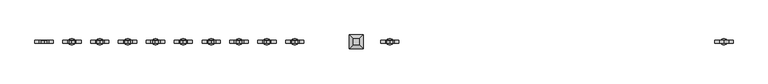
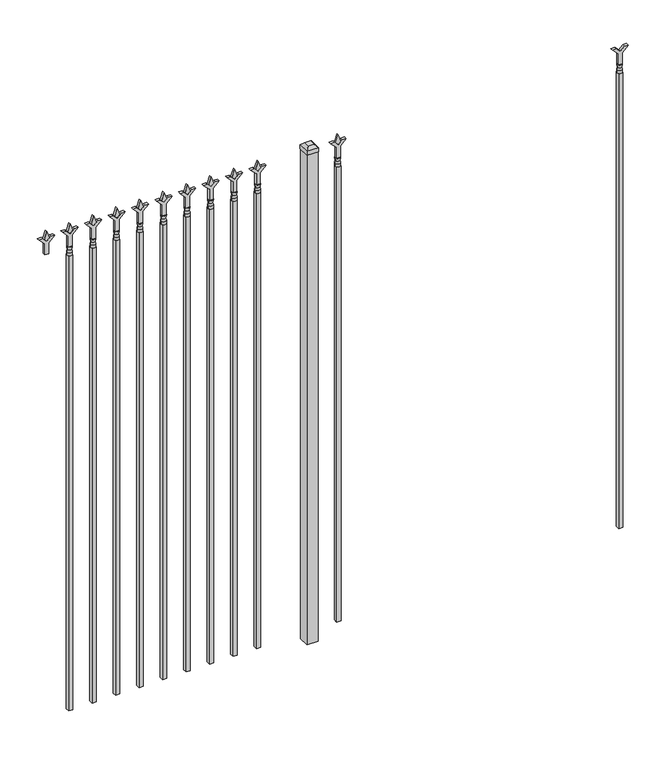
"""IFC4 building model written with IfcOpenShell, lengths in millimetres: railing geometry."""

from ifc_helpers import new_model, si_unit, frame, origin, origin_with_axes, place, context, project, spatial, polyline, circle_curve, outline, extrude, faceted_brep, source, transform, mapped, element, save
from ifc_brep_helpers import plane_surface, cylinder_surface, revolved_surface, advanced_brep


def railing_2c0cf2be(model_context):
    return source(origin(), model_context, "Body", "SolidModel", [
        extrude(outline(polyline([(2327.275, -52222.749337), (2381.5457378, -52222.749337), (2408.7355122, -52195.5595625), (2408.7355122, -52213.5200747), (2390.775, -52231.480587), (2408.7355122, -52249.4410992), (2408.7355122, -52267.4016114), (2381.5457378, -52240.211837), (2327.275, -52240.211837), (2327.275, -52222.749337)])), frame((0.0, -9176.0070174, 0.0), z_axis=(0.0, 1.0, 0.0), x_axis=(0.0, 0.0, 1.0)), (0.0, 0.0, 1.0), 12.7),
        advanced_brep(
        [(-52219.574337, -9169.6570174, 2298.7), (-52243.386837, -9169.6570174, 2298.7), (-52243.386837, -9169.6570174, 2286.0), (-52219.574337, -9169.6570174, 2286.0), (-52221.7796688, -9169.6570174, 2311.2070585), (-52241.1815051, -9169.6570174, 2311.2070585), (-52219.574337, -9169.6570174, 2327.275), (-52243.386837, -9169.6570174, 2327.275), (-52231.480587, -9169.6570174, 2327.275), (-52231.480587, -9169.6570174, 2286.0)],
        [
            (0, 1, circle_curve(frame((-52231.480587, -9169.6570174, 2298.7), z_axis=(0.0, 0.0, -1.0), x_axis=(-1.0, 0.0, 0.0)), 11.90625)),
            (1, 2),
            (2, 3, circle_curve(frame((-52231.480587, -9169.6570174, 2286.0), z_axis=(0.0, 0.0, 1.0), x_axis=(-1.0, 0.0, 0.0)), 11.90625)),
            (3, 0),
            (1, 0, circle_curve(frame((-52231.480587, -9169.6570174, 2298.7), z_axis=(0.0, 0.0, -1.0), x_axis=(-1.0, 0.0, 0.0)), 11.90625)),
            (3, 2, circle_curve(frame((-52231.480587, -9169.6570174, 2286.0), z_axis=(0.0, 0.0, 1.0), x_axis=(-1.0, 0.0, 0.0)), 11.90625)),
            (4, 5, circle_curve(frame((-52231.480587, -9169.6570174, 2311.2070585), z_axis=(0.0, 0.0, -1.0), x_axis=(-1.0, 0.0, 0.0)), 9.7009181)),
            (5, 1),
            (0, 4),
            (5, 4, circle_curve(frame((-52231.480587, -9169.6570174, 2311.2070585), z_axis=(0.0, 0.0, -1.0), x_axis=(-1.0, 0.0, 0.0)), 9.7009181)),
            (6, 7, circle_curve(frame((-52231.480587, -9169.6570174, 2327.275), z_axis=(0.0, 0.0, -1.0), x_axis=(-1.0, 0.0, 0.0)), 11.90625)),
            (7, 5),
            (4, 6),
            (7, 6, circle_curve(frame((-52231.480587, -9169.6570174, 2327.275), z_axis=(0.0, 0.0, -1.0), x_axis=(-1.0, 0.0, 0.0)), 11.90625)),
            (8, 7),
            (6, 8),
            (2, 9),
            (9, 3),
        ],
        [
            cylinder_surface(frame((-52231.480587, -9169.6570174, 2286.0), z_axis=(0.0, 0.0, 1.0), x_axis=(-1.0, 0.0, 0.0)), 11.90625),
            revolved_surface(polyline([(-52243.386837, -9169.6570174, 2298.7), (-52241.1815051, -9169.6570174, 2311.2070585)]), (-52231.480587, -9169.6570174, 2286.0), (0.0, 0.0, 1.0)),
            revolved_surface(polyline([(-52241.1815051, -9169.6570174, 2311.2070585), (-52243.386837, -9169.6570174, 2327.275)]), (-52231.480587, -9169.6570174, 2286.0), (0.0, 0.0, 1.0)),
            plane_surface(frame((-52231.480587, -9169.6570174, 2327.275), z_axis=(0.0, 0.0, 1.0), x_axis=(-1.0, 0.0, 0.0))),
            plane_surface(frame((-52231.480587, -9169.6570174, 2286.0), z_axis=(0.0, 0.0, -1.0), x_axis=(-1.0, 0.0, 0.0))),
        ],
        [
            (0, [[1, 2, 3, 4]]),
            (0, [[5, -4, 6, -2]]),
            (1, [[7, 8, -1, 9]]),
            (1, [[10, -9, -5, -8]]),
            (2, [[11, 12, -7, 13]]),
            (2, [[14, -13, -10, -12]]),
            (3, [[15, -11, 16]]),
            (3, [[-16, -14, -15]]),
            (4, [[-3, 17, 18]]),
            (4, [[-6, -18, -17]]),
        ],
    ),
        extrude(outline(polyline([(-52241.005587, -9160.1320174), (-52221.955587, -9160.1320174), (-52221.955587, -9179.1820174), (-52241.005587, -9179.1820174), (-52241.005587, -9160.1320174)])), frame((0.0, 0.0, 50.8), z_axis=(0.0, 0.0, 1.0), x_axis=(1.0, 0.0, 0.0)), (0.0, 0.0, 1.0), 2235.2),
        extrude(outline(polyline([(2402.68125, -53530.849337), (2438.4, -53542.755587), (2402.68125, -53554.661837), (2390.775, -53542.755587), (2402.68125, -53530.849337)])), frame((0.0, -9174.4195174, 0.0), z_axis=(0.0, 1.0, 0.0), x_axis=(0.0, 0.0, 1.0)), (0.0, 0.0, 1.0), 9.525),
        extrude(outline(polyline([(2327.275, -53534.024337), (2381.5457378, -53534.024337), (2408.7355122, -53506.8345625), (2408.7355122, -53524.7950747), (2390.775, -53542.755587), (2408.7355122, -53560.7160992), (2408.7355122, -53578.6766114), (2381.5457378, -53551.486837), (2327.275, -53551.486837), (2327.275, -53534.024337)])), frame((0.0, -9176.0070174, 0.0), z_axis=(0.0, 1.0, 0.0), x_axis=(0.0, 0.0, 1.0)), (0.0, 0.0, 1.0), 12.7),
        advanced_brep(
        [(-53530.849337, -9169.6570174, 2298.7), (-53554.661837, -9169.6570174, 2298.7), (-53554.661837, -9169.6570174, 2286.0), (-53530.849337, -9169.6570174, 2286.0), (-53533.0546688, -9169.6570174, 2311.2070585), (-53552.4565051, -9169.6570174, 2311.2070585), (-53530.849337, -9169.6570174, 2327.275), (-53554.661837, -9169.6570174, 2327.275), (-53542.755587, -9169.6570174, 2327.275), (-53542.755587, -9169.6570174, 2286.0)],
        [
            (0, 1, circle_curve(frame((-53542.755587, -9169.6570174, 2298.7), z_axis=(0.0, 0.0, -1.0), x_axis=(-1.0, 0.0, 0.0)), 11.90625)),
            (1, 2),
            (2, 3, circle_curve(frame((-53542.755587, -9169.6570174, 2286.0), z_axis=(0.0, 0.0, 1.0), x_axis=(-1.0, 0.0, 0.0)), 11.90625)),
            (3, 0),
            (1, 0, circle_curve(frame((-53542.755587, -9169.6570174, 2298.7), z_axis=(0.0, 0.0, -1.0), x_axis=(-1.0, 0.0, 0.0)), 11.90625)),
            (3, 2, circle_curve(frame((-53542.755587, -9169.6570174, 2286.0), z_axis=(0.0, 0.0, 1.0), x_axis=(-1.0, 0.0, 0.0)), 11.90625)),
            (4, 5, circle_curve(frame((-53542.755587, -9169.6570174, 2311.2070585), z_axis=(0.0, 0.0, -1.0), x_axis=(-1.0, 0.0, 0.0)), 9.7009181)),
            (5, 1),
            (0, 4),
            (5, 4, circle_curve(frame((-53542.755587, -9169.6570174, 2311.2070585), z_axis=(0.0, 0.0, -1.0), x_axis=(-1.0, 0.0, 0.0)), 9.7009181)),
            (6, 7, circle_curve(frame((-53542.755587, -9169.6570174, 2327.275), z_axis=(0.0, 0.0, -1.0), x_axis=(-1.0, 0.0, 0.0)), 11.90625)),
            (7, 5),
            (4, 6),
            (7, 6, circle_curve(frame((-53542.755587, -9169.6570174, 2327.275), z_axis=(0.0, 0.0, -1.0), x_axis=(-1.0, 0.0, 0.0)), 11.90625)),
            (8, 7),
            (6, 8),
            (2, 9),
            (9, 3),
        ],
        [
            cylinder_surface(frame((-53542.755587, -9169.6570174, 2286.0), z_axis=(0.0, 0.0, 1.0), x_axis=(-1.0, 0.0, 0.0)), 11.90625),
            revolved_surface(polyline([(-53554.661837, -9169.6570174, 2298.7), (-53552.4565051, -9169.6570174, 2311.2070585)]), (-53542.755587, -9169.6570174, 2286.0), (0.0, 0.0, 1.0)),
            revolved_surface(polyline([(-53552.4565051, -9169.6570174, 2311.2070585), (-53554.661837, -9169.6570174, 2327.275)]), (-53542.755587, -9169.6570174, 2286.0), (0.0, 0.0, 1.0)),
            plane_surface(frame((-53542.755587, -9169.6570174, 2327.275), z_axis=(0.0, 0.0, 1.0), x_axis=(-1.0, 0.0, 0.0))),
            plane_surface(frame((-53542.755587, -9169.6570174, 2286.0), z_axis=(0.0, 0.0, -1.0), x_axis=(-1.0, 0.0, 0.0))),
        ],
        [
            (0, [[1, 2, 3, 4]]),
            (0, [[5, -4, 6, -2]]),
            (1, [[7, 8, -1, 9]]),
            (1, [[10, -9, -5, -8]]),
            (2, [[11, 12, -7, 13]]),
            (2, [[14, -13, -10, -12]]),
            (3, [[15, -11, 16]]),
            (3, [[-16, -14, -15]]),
            (4, [[-3, 17, 18]]),
            (4, [[-6, -18, -17]]),
        ],
    ),
        extrude(outline(polyline([(-53552.280587, -9160.1320174), (-53533.230587, -9160.1320174), (-53533.230587, -9179.1820174), (-53552.280587, -9179.1820174), (-53552.280587, -9160.1320174)])), frame((0.0, 0.0, 50.8), z_axis=(0.0, 0.0, 1.0), x_axis=(1.0, 0.0, 0.0)), (0.0, 0.0, 1.0), 2235.2),
        extrude(outline(polyline([(-53649.118087, -9144.2570174), (-53649.118087, -9195.0570174), (-53699.918087, -9195.0570174), (-53699.918087, -9144.2570174), (-53649.118087, -9144.2570174)])), origin_with_axes(), (0.0, 0.0, 1.0), 2406.65),
        faceted_brep([(-53701.505587, -9142.6695174, 2425.7), (-53701.505587, -9142.6695174, 2406.65), (-53701.505587, -9196.6445174, 2406.65), (-53701.505587, -9196.6445174, 2425.7), (-53688.805587, -9155.3695174, 2438.4), (-53688.805587, -9183.9445174, 2438.4), (-53647.530587, -9196.6445174, 2406.65), (-53647.530587, -9196.6445174, 2425.7), (-53660.230587, -9183.9445174, 2438.4), (-53647.530587, -9142.6695174, 2406.65), (-53647.530587, -9142.6695174, 2425.7), (-53660.230587, -9155.3695174, 2438.4)], [[[0, 1, 2, 3]], [[4, 0, 3, 5]], [[3, 2, 6, 7]], [[5, 3, 7, 8]], [[7, 6, 9, 10]], [[8, 7, 10, 11]], [[10, 9, 1, 0]], [[11, 10, 0, 4]], [[5, 8, 11, 4]], [[1, 9, 6, 2]]]),
        extrude(outline(polyline([(2402.68125, -53903.6472536), (2438.4, -53915.5535036), (2402.68125, -53927.4597536), (2390.775, -53915.5535036), (2402.68125, -53903.6472536)])), frame((0.0, -9174.4195174, 0.0), z_axis=(0.0, 1.0, 0.0), x_axis=(0.0, 0.0, 1.0)), (0.0, 0.0, 1.0), 9.525),
        extrude(outline(polyline([(2327.275, -53906.8222536), (2381.5457378, -53906.8222536), (2408.7355122, -53879.6324791), (2408.7355122, -53897.5929914), (2390.775, -53915.5535036), (2408.7355122, -53933.5140159), (2408.7355122, -53951.4745281), (2381.5457378, -53924.2847536), (2327.275, -53924.2847536), (2327.275, -53906.8222536)])), frame((0.0, -9176.0070174, 0.0), z_axis=(0.0, 1.0, 0.0), x_axis=(0.0, 0.0, 1.0)), (0.0, 0.0, 1.0), 12.7),
        advanced_brep(
        [(-53903.6472536, -9169.6570174, 2298.7), (-53927.4597536, -9169.6570174, 2298.7), (-53927.4597536, -9169.6570174, 2286.0), (-53903.6472536, -9169.6570174, 2286.0), (-53905.8525855, -9169.6570174, 2311.2070585), (-53925.2544218, -9169.6570174, 2311.2070585), (-53903.6472536, -9169.6570174, 2327.275), (-53927.4597536, -9169.6570174, 2327.275), (-53915.5535036, -9169.6570174, 2327.275), (-53915.5535036, -9169.6570174, 2286.0)],
        [
            (0, 1, circle_curve(frame((-53915.5535036, -9169.6570174, 2298.7), z_axis=(0.0, 0.0, -1.0), x_axis=(-1.0, 0.0, 0.0)), 11.90625)),
            (1, 2),
            (2, 3, circle_curve(frame((-53915.5535036, -9169.6570174, 2286.0), z_axis=(0.0, 0.0, 1.0), x_axis=(-1.0, 0.0, 0.0)), 11.90625)),
            (3, 0),
            (1, 0, circle_curve(frame((-53915.5535036, -9169.6570174, 2298.7), z_axis=(0.0, 0.0, -1.0), x_axis=(-1.0, 0.0, 0.0)), 11.90625)),
            (3, 2, circle_curve(frame((-53915.5535036, -9169.6570174, 2286.0), z_axis=(0.0, 0.0, 1.0), x_axis=(-1.0, 0.0, 0.0)), 11.90625)),
            (4, 5, circle_curve(frame((-53915.5535036, -9169.6570174, 2311.2070585), z_axis=(0.0, 0.0, -1.0), x_axis=(-1.0, 0.0, 0.0)), 9.7009181)),
            (5, 1),
            (0, 4),
            (5, 4, circle_curve(frame((-53915.5535036, -9169.6570174, 2311.2070585), z_axis=(0.0, 0.0, -1.0), x_axis=(-1.0, 0.0, 0.0)), 9.7009181)),
            (6, 7, circle_curve(frame((-53915.5535036, -9169.6570174, 2327.275), z_axis=(0.0, 0.0, -1.0), x_axis=(-1.0, 0.0, 0.0)), 11.90625)),
            (7, 5),
            (4, 6),
            (7, 6, circle_curve(frame((-53915.5535036, -9169.6570174, 2327.275), z_axis=(0.0, 0.0, -1.0), x_axis=(-1.0, 0.0, 0.0)), 11.90625)),
            (8, 7),
            (6, 8),
            (2, 9),
            (9, 3),
        ],
        [
            cylinder_surface(frame((-53915.5535036, -9169.6570174, 2286.0), z_axis=(0.0, 0.0, 1.0), x_axis=(-1.0, 0.0, 0.0)), 11.90625),
            revolved_surface(polyline([(-53927.4597536, -9169.6570174, 2298.7), (-53925.2544218, -9169.6570174, 2311.2070585)]), (-53915.5535036, -9169.6570174, 2286.0), (0.0, 0.0, 1.0)),
            revolved_surface(polyline([(-53925.2544218, -9169.6570174, 2311.2070585), (-53927.4597536, -9169.6570174, 2327.275)]), (-53915.5535036, -9169.6570174, 2286.0), (0.0, 0.0, 1.0)),
            plane_surface(frame((-53915.5535036, -9169.6570174, 2327.275), z_axis=(0.0, 0.0, 1.0), x_axis=(-1.0, 0.0, 0.0))),
            plane_surface(frame((-53915.5535036, -9169.6570174, 2286.0), z_axis=(0.0, 0.0, -1.0), x_axis=(-1.0, 0.0, 0.0))),
        ],
        [
            (0, [[1, 2, 3, 4]]),
            (0, [[5, -4, 6, -2]]),
            (1, [[7, 8, -1, 9]]),
            (1, [[10, -9, -5, -8]]),
            (2, [[11, 12, -7, 13]]),
            (2, [[14, -13, -10, -12]]),
            (3, [[15, -11, 16]]),
            (3, [[-16, -14, -15]]),
            (4, [[-3, 17, 18]]),
            (4, [[-6, -18, -17]]),
        ],
    ),
        extrude(outline(polyline([(-53925.0785036, -9160.1320174), (-53906.0285036, -9160.1320174), (-53906.0285036, -9179.1820174), (-53925.0785036, -9179.1820174), (-53925.0785036, -9160.1320174)])), frame((0.0, 0.0, 50.8), z_axis=(0.0, 0.0, 1.0), x_axis=(1.0, 0.0, 0.0)), (0.0, 0.0, 1.0), 2235.2),
        extrude(outline(polyline([(2402.68125, -54012.9201703), (2438.4, -54024.8264203), (2402.68125, -54036.7326703), (2390.775, -54024.8264203), (2402.68125, -54012.9201703)])), frame((0.0, -9174.4195174, 0.0), z_axis=(0.0, 1.0, 0.0), x_axis=(0.0, 0.0, 1.0)), (0.0, 0.0, 1.0), 9.525),
        extrude(outline(polyline([(2327.275, -54016.0951703), (2381.5457378, -54016.0951703), (2408.7355122, -53988.9053958), (2408.7355122, -54006.8659081), (2390.775, -54024.8264203), (2408.7355122, -54042.7869325), (2408.7355122, -54060.7474448), (2381.5457378, -54033.5576703), (2327.275, -54033.5576703), (2327.275, -54016.0951703)])), frame((0.0, -9176.0070174, 0.0), z_axis=(0.0, 1.0, 0.0), x_axis=(0.0, 0.0, 1.0)), (0.0, 0.0, 1.0), 12.7),
        advanced_brep(
        [(-54012.9201703, -9169.6570174, 2298.7), (-54036.7326703, -9169.6570174, 2298.7), (-54036.7326703, -9169.6570174, 2286.0), (-54012.9201703, -9169.6570174, 2286.0), (-54015.1255022, -9169.6570174, 2311.2070585), (-54034.5273384, -9169.6570174, 2311.2070585), (-54012.9201703, -9169.6570174, 2327.275), (-54036.7326703, -9169.6570174, 2327.275), (-54024.8264203, -9169.6570174, 2327.275), (-54024.8264203, -9169.6570174, 2286.0)],
        [
            (0, 1, circle_curve(frame((-54024.8264203, -9169.6570174, 2298.7), z_axis=(0.0, 0.0, -1.0), x_axis=(-1.0, 0.0, 0.0)), 11.90625)),
            (1, 2),
            (2, 3, circle_curve(frame((-54024.8264203, -9169.6570174, 2286.0), z_axis=(0.0, 0.0, 1.0), x_axis=(-1.0, 0.0, 0.0)), 11.90625)),
            (3, 0),
            (1, 0, circle_curve(frame((-54024.8264203, -9169.6570174, 2298.7), z_axis=(0.0, 0.0, -1.0), x_axis=(-1.0, 0.0, 0.0)), 11.90625)),
            (3, 2, circle_curve(frame((-54024.8264203, -9169.6570174, 2286.0), z_axis=(0.0, 0.0, 1.0), x_axis=(-1.0, 0.0, 0.0)), 11.90625)),
            (4, 5, circle_curve(frame((-54024.8264203, -9169.6570174, 2311.2070585), z_axis=(0.0, 0.0, -1.0), x_axis=(-1.0, 0.0, 0.0)), 9.7009181)),
            (5, 1),
            (0, 4),
            (5, 4, circle_curve(frame((-54024.8264203, -9169.6570174, 2311.2070585), z_axis=(0.0, 0.0, -1.0), x_axis=(-1.0, 0.0, 0.0)), 9.7009181)),
            (6, 7, circle_curve(frame((-54024.8264203, -9169.6570174, 2327.275), z_axis=(0.0, 0.0, -1.0), x_axis=(-1.0, 0.0, 0.0)), 11.90625)),
            (7, 5),
            (4, 6),
            (7, 6, circle_curve(frame((-54024.8264203, -9169.6570174, 2327.275), z_axis=(0.0, 0.0, -1.0), x_axis=(-1.0, 0.0, 0.0)), 11.90625)),
            (8, 7),
            (6, 8),
            (2, 9),
            (9, 3),
        ],
        [
            cylinder_surface(frame((-54024.8264203, -9169.6570174, 2286.0), z_axis=(0.0, 0.0, 1.0), x_axis=(-1.0, 0.0, 0.0)), 11.90625),
            revolved_surface(polyline([(-54036.7326703, -9169.6570174, 2298.7), (-54034.5273384, -9169.6570174, 2311.2070585)]), (-54024.8264203, -9169.6570174, 2286.0), (0.0, 0.0, 1.0)),
            revolved_surface(polyline([(-54034.5273384, -9169.6570174, 2311.2070585), (-54036.7326703, -9169.6570174, 2327.275)]), (-54024.8264203, -9169.6570174, 2286.0), (0.0, 0.0, 1.0)),
            plane_surface(frame((-54024.8264203, -9169.6570174, 2327.275), z_axis=(0.0, 0.0, 1.0), x_axis=(-1.0, 0.0, 0.0))),
            plane_surface(frame((-54024.8264203, -9169.6570174, 2286.0), z_axis=(0.0, 0.0, -1.0), x_axis=(-1.0, 0.0, 0.0))),
        ],
        [
            (0, [[1, 2, 3, 4]]),
            (0, [[5, -4, 6, -2]]),
            (1, [[7, 8, -1, 9]]),
            (1, [[10, -9, -5, -8]]),
            (2, [[11, 12, -7, 13]]),
            (2, [[14, -13, -10, -12]]),
            (3, [[15, -11, 16]]),
            (3, [[-16, -14, -15]]),
            (4, [[-3, 17, 18]]),
            (4, [[-6, -18, -17]]),
        ],
    ),
        extrude(outline(polyline([(-54034.3514203, -9160.1320174), (-54015.3014203, -9160.1320174), (-54015.3014203, -9179.1820174), (-54034.3514203, -9179.1820174), (-54034.3514203, -9160.1320174)])), frame((0.0, 0.0, 50.8), z_axis=(0.0, 0.0, 1.0), x_axis=(1.0, 0.0, 0.0)), (0.0, 0.0, 1.0), 2235.2),
        extrude(outline(polyline([(2402.68125, -54122.193087), (2438.4, -54134.099337), (2402.68125, -54146.005587), (2390.775, -54134.099337), (2402.68125, -54122.193087)])), frame((0.0, -9174.4195174, 0.0), z_axis=(0.0, 1.0, 0.0), x_axis=(0.0, 0.0, 1.0)), (0.0, 0.0, 1.0), 9.525),
        extrude(outline(polyline([(2327.275, -54125.368087), (2381.5457378, -54125.368087), (2408.7355122, -54098.1783125), (2408.7355122, -54116.1388247), (2390.775, -54134.099337), (2408.7355122, -54152.0598492), (2408.7355122, -54170.0203614), (2381.5457378, -54142.830587), (2327.275, -54142.830587), (2327.275, -54125.368087)])), frame((0.0, -9176.0070174, 0.0), z_axis=(0.0, 1.0, 0.0), x_axis=(0.0, 0.0, 1.0)), (0.0, 0.0, 1.0), 12.7),
        advanced_brep(
        [(-54122.193087, -9169.6570174, 2298.7), (-54146.005587, -9169.6570174, 2298.7), (-54146.005587, -9169.6570174, 2286.0), (-54122.193087, -9169.6570174, 2286.0), (-54124.3984188, -9169.6570174, 2311.2070585), (-54143.8002551, -9169.6570174, 2311.2070585), (-54122.193087, -9169.6570174, 2327.275), (-54146.005587, -9169.6570174, 2327.275), (-54134.099337, -9169.6570174, 2327.275), (-54134.099337, -9169.6570174, 2286.0)],
        [
            (0, 1, circle_curve(frame((-54134.099337, -9169.6570174, 2298.7), z_axis=(0.0, 0.0, -1.0), x_axis=(-1.0, 0.0, 0.0)), 11.90625)),
            (1, 2),
            (2, 3, circle_curve(frame((-54134.099337, -9169.6570174, 2286.0), z_axis=(0.0, 0.0, 1.0), x_axis=(-1.0, 0.0, 0.0)), 11.90625)),
            (3, 0),
            (1, 0, circle_curve(frame((-54134.099337, -9169.6570174, 2298.7), z_axis=(0.0, 0.0, -1.0), x_axis=(-1.0, 0.0, 0.0)), 11.90625)),
            (3, 2, circle_curve(frame((-54134.099337, -9169.6570174, 2286.0), z_axis=(0.0, 0.0, 1.0), x_axis=(-1.0, 0.0, 0.0)), 11.90625)),
            (4, 5, circle_curve(frame((-54134.099337, -9169.6570174, 2311.2070585), z_axis=(0.0, 0.0, -1.0), x_axis=(-1.0, 0.0, 0.0)), 9.7009181)),
            (5, 1),
            (0, 4),
            (5, 4, circle_curve(frame((-54134.099337, -9169.6570174, 2311.2070585), z_axis=(0.0, 0.0, -1.0), x_axis=(-1.0, 0.0, 0.0)), 9.7009181)),
            (6, 7, circle_curve(frame((-54134.099337, -9169.6570174, 2327.275), z_axis=(0.0, 0.0, -1.0), x_axis=(-1.0, 0.0, 0.0)), 11.90625)),
            (7, 5),
            (4, 6),
            (7, 6, circle_curve(frame((-54134.099337, -9169.6570174, 2327.275), z_axis=(0.0, 0.0, -1.0), x_axis=(-1.0, 0.0, 0.0)), 11.90625)),
            (8, 7),
            (6, 8),
            (2, 9),
            (9, 3),
        ],
        [
            cylinder_surface(frame((-54134.099337, -9169.6570174, 2286.0), z_axis=(0.0, 0.0, 1.0), x_axis=(-1.0, 0.0, 0.0)), 11.90625),
            revolved_surface(polyline([(-54146.005587, -9169.6570174, 2298.7), (-54143.8002551, -9169.6570174, 2311.2070585)]), (-54134.099337, -9169.6570174, 2286.0), (0.0, 0.0, 1.0)),
            revolved_surface(polyline([(-54143.8002551, -9169.6570174, 2311.2070585), (-54146.005587, -9169.6570174, 2327.275)]), (-54134.099337, -9169.6570174, 2286.0), (0.0, 0.0, 1.0)),
            plane_surface(frame((-54134.099337, -9169.6570174, 2327.275), z_axis=(0.0, 0.0, 1.0), x_axis=(-1.0, 0.0, 0.0))),
            plane_surface(frame((-54134.099337, -9169.6570174, 2286.0), z_axis=(0.0, 0.0, -1.0), x_axis=(-1.0, 0.0, 0.0))),
        ],
        [
            (0, [[1, 2, 3, 4]]),
            (0, [[5, -4, 6, -2]]),
            (1, [[7, 8, -1, 9]]),
            (1, [[10, -9, -5, -8]]),
            (2, [[11, 12, -7, 13]]),
            (2, [[14, -13, -10, -12]]),
            (3, [[15, -11, 16]]),
            (3, [[-16, -14, -15]]),
            (4, [[-3, 17, 18]]),
            (4, [[-6, -18, -17]]),
        ],
    ),
        extrude(outline(polyline([(-54143.624337, -9160.1320174), (-54124.574337, -9160.1320174), (-54124.574337, -9179.1820174), (-54143.624337, -9179.1820174), (-54143.624337, -9160.1320174)])), frame((0.0, 0.0, 50.8), z_axis=(0.0, 0.0, 1.0), x_axis=(1.0, 0.0, 0.0)), (0.0, 0.0, 1.0), 2235.2),
        extrude(outline(polyline([(2402.68125, -54231.4660036), (2438.4, -54243.3722536), (2402.68125, -54255.2785036), (2390.775, -54243.3722536), (2402.68125, -54231.4660036)])), frame((0.0, -9174.4195174, 0.0), z_axis=(0.0, 1.0, 0.0), x_axis=(0.0, 0.0, 1.0)), (0.0, 0.0, 1.0), 9.525),
        extrude(outline(polyline([(2327.275, -54234.6410036), (2381.5457378, -54234.6410036), (2408.7355122, -54207.4512291), (2408.7355122, -54225.4117414), (2390.775, -54243.3722536), (2408.7355122, -54261.3327659), (2408.7355122, -54279.2932781), (2381.5457378, -54252.1035036), (2327.275, -54252.1035036), (2327.275, -54234.6410036)])), frame((0.0, -9176.0070174, 0.0), z_axis=(0.0, 1.0, 0.0), x_axis=(0.0, 0.0, 1.0)), (0.0, 0.0, 1.0), 12.7),
        advanced_brep(
        [(-54231.4660036, -9169.6570174, 2298.7), (-54255.2785036, -9169.6570174, 2298.7), (-54255.2785036, -9169.6570174, 2286.0), (-54231.4660036, -9169.6570174, 2286.0), (-54233.6713355, -9169.6570174, 2311.2070585), (-54253.0731718, -9169.6570174, 2311.2070585), (-54231.4660036, -9169.6570174, 2327.275), (-54255.2785036, -9169.6570174, 2327.275), (-54243.3722536, -9169.6570174, 2327.275), (-54243.3722536, -9169.6570174, 2286.0)],
        [
            (0, 1, circle_curve(frame((-54243.3722536, -9169.6570174, 2298.7), z_axis=(0.0, 0.0, -1.0), x_axis=(-1.0, 0.0, 0.0)), 11.90625)),
            (1, 2),
            (2, 3, circle_curve(frame((-54243.3722536, -9169.6570174, 2286.0), z_axis=(0.0, 0.0, 1.0), x_axis=(-1.0, 0.0, 0.0)), 11.90625)),
            (3, 0),
            (1, 0, circle_curve(frame((-54243.3722536, -9169.6570174, 2298.7), z_axis=(0.0, 0.0, -1.0), x_axis=(-1.0, 0.0, 0.0)), 11.90625)),
            (3, 2, circle_curve(frame((-54243.3722536, -9169.6570174, 2286.0), z_axis=(0.0, 0.0, 1.0), x_axis=(-1.0, 0.0, 0.0)), 11.90625)),
            (4, 5, circle_curve(frame((-54243.3722536, -9169.6570174, 2311.2070585), z_axis=(0.0, 0.0, -1.0), x_axis=(-1.0, 0.0, 0.0)), 9.7009181)),
            (5, 1),
            (0, 4),
            (5, 4, circle_curve(frame((-54243.3722536, -9169.6570174, 2311.2070585), z_axis=(0.0, 0.0, -1.0), x_axis=(-1.0, 0.0, 0.0)), 9.7009181)),
            (6, 7, circle_curve(frame((-54243.3722536, -9169.6570174, 2327.275), z_axis=(0.0, 0.0, -1.0), x_axis=(-1.0, 0.0, 0.0)), 11.90625)),
            (7, 5),
            (4, 6),
            (7, 6, circle_curve(frame((-54243.3722536, -9169.6570174, 2327.275), z_axis=(0.0, 0.0, -1.0), x_axis=(-1.0, 0.0, 0.0)), 11.90625)),
            (8, 7),
            (6, 8),
            (2, 9),
            (9, 3),
        ],
        [
            cylinder_surface(frame((-54243.3722536, -9169.6570174, 2286.0), z_axis=(0.0, 0.0, 1.0), x_axis=(-1.0, 0.0, 0.0)), 11.90625),
            revolved_surface(polyline([(-54255.2785036, -9169.6570174, 2298.7), (-54253.0731718, -9169.6570174, 2311.2070585)]), (-54243.3722536, -9169.6570174, 2286.0), (0.0, 0.0, 1.0)),
            revolved_surface(polyline([(-54253.0731718, -9169.6570174, 2311.2070585), (-54255.2785036, -9169.6570174, 2327.275)]), (-54243.3722536, -9169.6570174, 2286.0), (0.0, 0.0, 1.0)),
            plane_surface(frame((-54243.3722536, -9169.6570174, 2327.275), z_axis=(0.0, 0.0, 1.0), x_axis=(-1.0, 0.0, 0.0))),
            plane_surface(frame((-54243.3722536, -9169.6570174, 2286.0), z_axis=(0.0, 0.0, -1.0), x_axis=(-1.0, 0.0, 0.0))),
        ],
        [
            (0, [[1, 2, 3, 4]]),
            (0, [[5, -4, 6, -2]]),
            (1, [[7, 8, -1, 9]]),
            (1, [[10, -9, -5, -8]]),
            (2, [[11, 12, -7, 13]]),
            (2, [[14, -13, -10, -12]]),
            (3, [[15, -11, 16]]),
            (3, [[-16, -14, -15]]),
            (4, [[-3, 17, 18]]),
            (4, [[-6, -18, -17]]),
        ],
    ),
        extrude(outline(polyline([(-54252.8972536, -9160.1320174), (-54233.8472536, -9160.1320174), (-54233.8472536, -9179.1820174), (-54252.8972536, -9179.1820174), (-54252.8972536, -9160.1320174)])), frame((0.0, 0.0, 50.8), z_axis=(0.0, 0.0, 1.0), x_axis=(1.0, 0.0, 0.0)), (0.0, 0.0, 1.0), 2235.2),
        extrude(outline(polyline([(2402.68125, -54340.7389203), (2438.4, -54352.6451703), (2402.68125, -54364.5514203), (2390.775, -54352.6451703), (2402.68125, -54340.7389203)])), frame((0.0, -9174.4195174, 0.0), z_axis=(0.0, 1.0, 0.0), x_axis=(0.0, 0.0, 1.0)), (0.0, 0.0, 1.0), 9.525),
        extrude(outline(polyline([(2327.275, -54343.9139203), (2381.5457378, -54343.9139203), (2408.7355122, -54316.7241458), (2408.7355122, -54334.6846581), (2390.775, -54352.6451703), (2408.7355122, -54370.6056825), (2408.7355122, -54388.5661948), (2381.5457378, -54361.3764203), (2327.275, -54361.3764203), (2327.275, -54343.9139203)])), frame((0.0, -9176.0070174, 0.0), z_axis=(0.0, 1.0, 0.0), x_axis=(0.0, 0.0, 1.0)), (0.0, 0.0, 1.0), 12.7),
        advanced_brep(
        [(-54340.7389203, -9169.6570174, 2298.7), (-54364.5514203, -9169.6570174, 2298.7), (-54364.5514203, -9169.6570174, 2286.0), (-54340.7389203, -9169.6570174, 2286.0), (-54342.9442522, -9169.6570174, 2311.2070585), (-54362.3460884, -9169.6570174, 2311.2070585), (-54340.7389203, -9169.6570174, 2327.275), (-54364.5514203, -9169.6570174, 2327.275), (-54352.6451703, -9169.6570174, 2327.275), (-54352.6451703, -9169.6570174, 2286.0)],
        [
            (0, 1, circle_curve(frame((-54352.6451703, -9169.6570174, 2298.7), z_axis=(0.0, 0.0, -1.0), x_axis=(-1.0, 0.0, 0.0)), 11.90625)),
            (1, 2),
            (2, 3, circle_curve(frame((-54352.6451703, -9169.6570174, 2286.0), z_axis=(0.0, 0.0, 1.0), x_axis=(-1.0, 0.0, 0.0)), 11.90625)),
            (3, 0),
            (1, 0, circle_curve(frame((-54352.6451703, -9169.6570174, 2298.7), z_axis=(0.0, 0.0, -1.0), x_axis=(-1.0, 0.0, 0.0)), 11.90625)),
            (3, 2, circle_curve(frame((-54352.6451703, -9169.6570174, 2286.0), z_axis=(0.0, 0.0, 1.0), x_axis=(-1.0, 0.0, 0.0)), 11.90625)),
            (4, 5, circle_curve(frame((-54352.6451703, -9169.6570174, 2311.2070585), z_axis=(0.0, 0.0, -1.0), x_axis=(-1.0, 0.0, 0.0)), 9.7009181)),
            (5, 1),
            (0, 4),
            (5, 4, circle_curve(frame((-54352.6451703, -9169.6570174, 2311.2070585), z_axis=(0.0, 0.0, -1.0), x_axis=(-1.0, 0.0, 0.0)), 9.7009181)),
            (6, 7, circle_curve(frame((-54352.6451703, -9169.6570174, 2327.275), z_axis=(0.0, 0.0, -1.0), x_axis=(-1.0, 0.0, 0.0)), 11.90625)),
            (7, 5),
            (4, 6),
            (7, 6, circle_curve(frame((-54352.6451703, -9169.6570174, 2327.275), z_axis=(0.0, 0.0, -1.0), x_axis=(-1.0, 0.0, 0.0)), 11.90625)),
            (8, 7),
            (6, 8),
            (2, 9),
            (9, 3),
        ],
        [
            cylinder_surface(frame((-54352.6451703, -9169.6570174, 2286.0), z_axis=(0.0, 0.0, 1.0), x_axis=(-1.0, 0.0, 0.0)), 11.90625),
            revolved_surface(polyline([(-54364.5514203, -9169.6570174, 2298.7), (-54362.3460884, -9169.6570174, 2311.2070585)]), (-54352.6451703, -9169.6570174, 2286.0), (0.0, 0.0, 1.0)),
            revolved_surface(polyline([(-54362.3460884, -9169.6570174, 2311.2070585), (-54364.5514203, -9169.6570174, 2327.275)]), (-54352.6451703, -9169.6570174, 2286.0), (0.0, 0.0, 1.0)),
            plane_surface(frame((-54352.6451703, -9169.6570174, 2327.275), z_axis=(0.0, 0.0, 1.0), x_axis=(-1.0, 0.0, 0.0))),
            plane_surface(frame((-54352.6451703, -9169.6570174, 2286.0), z_axis=(0.0, 0.0, -1.0), x_axis=(-1.0, 0.0, 0.0))),
        ],
        [
            (0, [[1, 2, 3, 4]]),
            (0, [[5, -4, 6, -2]]),
            (1, [[7, 8, -1, 9]]),
            (1, [[10, -9, -5, -8]]),
            (2, [[11, 12, -7, 13]]),
            (2, [[14, -13, -10, -12]]),
            (3, [[15, -11, 16]]),
            (3, [[-16, -14, -15]]),
            (4, [[-3, 17, 18]]),
            (4, [[-6, -18, -17]]),
        ],
    ),
        extrude(outline(polyline([(-54362.1701703, -9160.1320174), (-54343.1201703, -9160.1320174), (-54343.1201703, -9179.1820174), (-54362.1701703, -9179.1820174), (-54362.1701703, -9160.1320174)])), frame((0.0, 0.0, 50.8), z_axis=(0.0, 0.0, 1.0), x_axis=(1.0, 0.0, 0.0)), (0.0, 0.0, 1.0), 2235.2),
        extrude(outline(polyline([(2402.68125, -54450.011837), (2438.4, -54461.918087), (2402.68125, -54473.824337), (2390.775, -54461.918087), (2402.68125, -54450.011837)])), frame((0.0, -9174.4195174, 0.0), z_axis=(0.0, 1.0, 0.0), x_axis=(0.0, 0.0, 1.0)), (0.0, 0.0, 1.0), 9.525),
        extrude(outline(polyline([(2327.275, -54453.186837), (2381.5457378, -54453.186837), (2408.7355122, -54425.9970625), (2408.7355122, -54443.9575747), (2390.775, -54461.918087), (2408.7355122, -54479.8785992), (2408.7355122, -54497.8391114), (2381.5457378, -54470.649337), (2327.275, -54470.649337), (2327.275, -54453.186837)])), frame((0.0, -9176.0070174, 0.0), z_axis=(0.0, 1.0, 0.0), x_axis=(0.0, 0.0, 1.0)), (0.0, 0.0, 1.0), 12.7),
        advanced_brep(
        [(-54450.011837, -9169.6570174, 2298.7), (-54473.824337, -9169.6570174, 2298.7), (-54473.824337, -9169.6570174, 2286.0), (-54450.011837, -9169.6570174, 2286.0), (-54452.2171688, -9169.6570174, 2311.2070585), (-54471.6190051, -9169.6570174, 2311.2070585), (-54450.011837, -9169.6570174, 2327.275), (-54473.824337, -9169.6570174, 2327.275), (-54461.918087, -9169.6570174, 2327.275), (-54461.918087, -9169.6570174, 2286.0)],
        [
            (0, 1, circle_curve(frame((-54461.918087, -9169.6570174, 2298.7), z_axis=(0.0, 0.0, -1.0), x_axis=(-1.0, 0.0, 0.0)), 11.90625)),
            (1, 2),
            (2, 3, circle_curve(frame((-54461.918087, -9169.6570174, 2286.0), z_axis=(0.0, 0.0, 1.0), x_axis=(-1.0, 0.0, 0.0)), 11.90625)),
            (3, 0),
            (1, 0, circle_curve(frame((-54461.918087, -9169.6570174, 2298.7), z_axis=(0.0, 0.0, -1.0), x_axis=(-1.0, 0.0, 0.0)), 11.90625)),
            (3, 2, circle_curve(frame((-54461.918087, -9169.6570174, 2286.0), z_axis=(0.0, 0.0, 1.0), x_axis=(-1.0, 0.0, 0.0)), 11.90625)),
            (4, 5, circle_curve(frame((-54461.918087, -9169.6570174, 2311.2070585), z_axis=(0.0, 0.0, -1.0), x_axis=(-1.0, 0.0, 0.0)), 9.7009181)),
            (5, 1),
            (0, 4),
            (5, 4, circle_curve(frame((-54461.918087, -9169.6570174, 2311.2070585), z_axis=(0.0, 0.0, -1.0), x_axis=(-1.0, 0.0, 0.0)), 9.7009181)),
            (6, 7, circle_curve(frame((-54461.918087, -9169.6570174, 2327.275), z_axis=(0.0, 0.0, -1.0), x_axis=(-1.0, 0.0, 0.0)), 11.90625)),
            (7, 5),
            (4, 6),
            (7, 6, circle_curve(frame((-54461.918087, -9169.6570174, 2327.275), z_axis=(0.0, 0.0, -1.0), x_axis=(-1.0, 0.0, 0.0)), 11.90625)),
            (8, 7),
            (6, 8),
            (2, 9),
            (9, 3),
        ],
        [
            cylinder_surface(frame((-54461.918087, -9169.6570174, 2286.0), z_axis=(0.0, 0.0, 1.0), x_axis=(-1.0, 0.0, 0.0)), 11.90625),
            revolved_surface(polyline([(-54473.824337, -9169.6570174, 2298.7), (-54471.6190051, -9169.6570174, 2311.2070585)]), (-54461.918087, -9169.6570174, 2286.0), (0.0, 0.0, 1.0)),
            revolved_surface(polyline([(-54471.6190051, -9169.6570174, 2311.2070585), (-54473.824337, -9169.6570174, 2327.275)]), (-54461.918087, -9169.6570174, 2286.0), (0.0, 0.0, 1.0)),
            plane_surface(frame((-54461.918087, -9169.6570174, 2327.275), z_axis=(0.0, 0.0, 1.0), x_axis=(-1.0, 0.0, 0.0))),
            plane_surface(frame((-54461.918087, -9169.6570174, 2286.0), z_axis=(0.0, 0.0, -1.0), x_axis=(-1.0, 0.0, 0.0))),
        ],
        [
            (0, [[1, 2, 3, 4]]),
            (0, [[5, -4, 6, -2]]),
            (1, [[7, 8, -1, 9]]),
            (1, [[10, -9, -5, -8]]),
            (2, [[11, 12, -7, 13]]),
            (2, [[14, -13, -10, -12]]),
            (3, [[15, -11, 16]]),
            (3, [[-16, -14, -15]]),
            (4, [[-3, 17, 18]]),
            (4, [[-6, -18, -17]]),
        ],
    ),
        extrude(outline(polyline([(-54471.443087, -9160.1320174), (-54452.393087, -9160.1320174), (-54452.393087, -9179.1820174), (-54471.443087, -9179.1820174), (-54471.443087, -9160.1320174)])), frame((0.0, 0.0, 50.8), z_axis=(0.0, 0.0, 1.0), x_axis=(1.0, 0.0, 0.0)), (0.0, 0.0, 1.0), 2235.2),
        extrude(outline(polyline([(2402.68125, -54559.2847536), (2438.4, -54571.1910036), (2402.68125, -54583.0972536), (2390.775, -54571.1910036), (2402.68125, -54559.2847536)])), frame((0.0, -9174.4195174, 0.0), z_axis=(0.0, 1.0, 0.0), x_axis=(0.0, 0.0, 1.0)), (0.0, 0.0, 1.0), 9.525),
        extrude(outline(polyline([(2327.275, -54562.4597536), (2381.5457378, -54562.4597536), (2408.7355122, -54535.2699791), (2408.7355122, -54553.2304914), (2390.775, -54571.1910036), (2408.7355122, -54589.1515159), (2408.7355122, -54607.1120281), (2381.5457378, -54579.9222536), (2327.275, -54579.9222536), (2327.275, -54562.4597536)])), frame((0.0, -9176.0070174, 0.0), z_axis=(0.0, 1.0, 0.0), x_axis=(0.0, 0.0, 1.0)), (0.0, 0.0, 1.0), 12.7),
        advanced_brep(
        [(-54559.2847536, -9169.6570174, 2298.7), (-54583.0972536, -9169.6570174, 2298.7), (-54583.0972536, -9169.6570174, 2286.0), (-54559.2847536, -9169.6570174, 2286.0), (-54561.4900855, -9169.6570174, 2311.2070585), (-54580.8919218, -9169.6570174, 2311.2070585), (-54559.2847536, -9169.6570174, 2327.275), (-54583.0972536, -9169.6570174, 2327.275), (-54571.1910036, -9169.6570174, 2327.275), (-54571.1910036, -9169.6570174, 2286.0)],
        [
            (0, 1, circle_curve(frame((-54571.1910036, -9169.6570174, 2298.7), z_axis=(0.0, 0.0, -1.0), x_axis=(-1.0, 0.0, 0.0)), 11.90625)),
            (1, 2),
            (2, 3, circle_curve(frame((-54571.1910036, -9169.6570174, 2286.0), z_axis=(0.0, 0.0, 1.0), x_axis=(-1.0, 0.0, 0.0)), 11.90625)),
            (3, 0),
            (1, 0, circle_curve(frame((-54571.1910036, -9169.6570174, 2298.7), z_axis=(0.0, 0.0, -1.0), x_axis=(-1.0, 0.0, 0.0)), 11.90625)),
            (3, 2, circle_curve(frame((-54571.1910036, -9169.6570174, 2286.0), z_axis=(0.0, 0.0, 1.0), x_axis=(-1.0, 0.0, 0.0)), 11.90625)),
            (4, 5, circle_curve(frame((-54571.1910036, -9169.6570174, 2311.2070585), z_axis=(0.0, 0.0, -1.0), x_axis=(-1.0, 0.0, 0.0)), 9.7009181)),
            (5, 1),
            (0, 4),
            (5, 4, circle_curve(frame((-54571.1910036, -9169.6570174, 2311.2070585), z_axis=(0.0, 0.0, -1.0), x_axis=(-1.0, 0.0, 0.0)), 9.7009181)),
            (6, 7, circle_curve(frame((-54571.1910036, -9169.6570174, 2327.275), z_axis=(0.0, 0.0, -1.0), x_axis=(-1.0, 0.0, 0.0)), 11.90625)),
            (7, 5),
            (4, 6),
            (7, 6, circle_curve(frame((-54571.1910036, -9169.6570174, 2327.275), z_axis=(0.0, 0.0, -1.0), x_axis=(-1.0, 0.0, 0.0)), 11.90625)),
            (8, 7),
            (6, 8),
            (2, 9),
            (9, 3),
        ],
        [
            cylinder_surface(frame((-54571.1910036, -9169.6570174, 2286.0), z_axis=(0.0, 0.0, 1.0), x_axis=(-1.0, 0.0, 0.0)), 11.90625),
            revolved_surface(polyline([(-54583.0972536, -9169.6570174, 2298.7), (-54580.8919218, -9169.6570174, 2311.2070585)]), (-54571.1910036, -9169.6570174, 2286.0), (0.0, 0.0, 1.0)),
            revolved_surface(polyline([(-54580.8919218, -9169.6570174, 2311.2070585), (-54583.0972536, -9169.6570174, 2327.275)]), (-54571.1910036, -9169.6570174, 2286.0), (0.0, 0.0, 1.0)),
            plane_surface(frame((-54571.1910036, -9169.6570174, 2327.275), z_axis=(0.0, 0.0, 1.0), x_axis=(-1.0, 0.0, 0.0))),
            plane_surface(frame((-54571.1910036, -9169.6570174, 2286.0), z_axis=(0.0, 0.0, -1.0), x_axis=(-1.0, 0.0, 0.0))),
        ],
        [
            (0, [[1, 2, 3, 4]]),
            (0, [[5, -4, 6, -2]]),
            (1, [[7, 8, -1, 9]]),
            (1, [[10, -9, -5, -8]]),
            (2, [[11, 12, -7, 13]]),
            (2, [[14, -13, -10, -12]]),
            (3, [[15, -11, 16]]),
            (3, [[-16, -14, -15]]),
            (4, [[-3, 17, 18]]),
            (4, [[-6, -18, -17]]),
        ],
    ),
        extrude(outline(polyline([(-54580.7160036, -9160.1320174), (-54561.6660036, -9160.1320174), (-54561.6660036, -9179.1820174), (-54580.7160036, -9179.1820174), (-54580.7160036, -9160.1320174)])), frame((0.0, 0.0, 50.8), z_axis=(0.0, 0.0, 1.0), x_axis=(1.0, 0.0, 0.0)), (0.0, 0.0, 1.0), 2235.2),
        extrude(outline(polyline([(2402.68125, -54668.5576703), (2438.4, -54680.4639203), (2402.68125, -54692.3701703), (2390.775, -54680.4639203), (2402.68125, -54668.5576703)])), frame((0.0, -9174.4195174, 0.0), z_axis=(0.0, 1.0, 0.0), x_axis=(0.0, 0.0, 1.0)), (0.0, 0.0, 1.0), 9.525),
        extrude(outline(polyline([(2327.275, -54671.7326703), (2381.5457378, -54671.7326703), (2408.7355122, -54644.5428958), (2408.7355122, -54662.5034081), (2390.775, -54680.4639203), (2408.7355122, -54698.4244325), (2408.7355122, -54716.3849448), (2381.5457378, -54689.1951703), (2327.275, -54689.1951703), (2327.275, -54671.7326703)])), frame((0.0, -9176.0070174, 0.0), z_axis=(0.0, 1.0, 0.0), x_axis=(0.0, 0.0, 1.0)), (0.0, 0.0, 1.0), 12.7),
        advanced_brep(
        [(-54668.5576703, -9169.6570174, 2298.7), (-54692.3701703, -9169.6570174, 2298.7), (-54692.3701703, -9169.6570174, 2286.0), (-54668.5576703, -9169.6570174, 2286.0), (-54670.7630022, -9169.6570174, 2311.2070585), (-54690.1648384, -9169.6570174, 2311.2070585), (-54668.5576703, -9169.6570174, 2327.275), (-54692.3701703, -9169.6570174, 2327.275), (-54680.4639203, -9169.6570174, 2327.275), (-54680.4639203, -9169.6570174, 2286.0)],
        [
            (0, 1, circle_curve(frame((-54680.4639203, -9169.6570174, 2298.7), z_axis=(0.0, 0.0, -1.0), x_axis=(-1.0, 0.0, 0.0)), 11.90625)),
            (1, 2),
            (2, 3, circle_curve(frame((-54680.4639203, -9169.6570174, 2286.0), z_axis=(0.0, 0.0, 1.0), x_axis=(-1.0, 0.0, 0.0)), 11.90625)),
            (3, 0),
            (1, 0, circle_curve(frame((-54680.4639203, -9169.6570174, 2298.7), z_axis=(0.0, 0.0, -1.0), x_axis=(-1.0, 0.0, 0.0)), 11.90625)),
            (3, 2, circle_curve(frame((-54680.4639203, -9169.6570174, 2286.0), z_axis=(0.0, 0.0, 1.0), x_axis=(-1.0, 0.0, 0.0)), 11.90625)),
            (4, 5, circle_curve(frame((-54680.4639203, -9169.6570174, 2311.2070585), z_axis=(0.0, 0.0, -1.0), x_axis=(-1.0, 0.0, 0.0)), 9.7009181)),
            (5, 1),
            (0, 4),
            (5, 4, circle_curve(frame((-54680.4639203, -9169.6570174, 2311.2070585), z_axis=(0.0, 0.0, -1.0), x_axis=(-1.0, 0.0, 0.0)), 9.7009181)),
            (6, 7, circle_curve(frame((-54680.4639203, -9169.6570174, 2327.275), z_axis=(0.0, 0.0, -1.0), x_axis=(-1.0, 0.0, 0.0)), 11.90625)),
            (7, 5),
            (4, 6),
            (7, 6, circle_curve(frame((-54680.4639203, -9169.6570174, 2327.275), z_axis=(0.0, 0.0, -1.0), x_axis=(-1.0, 0.0, 0.0)), 11.90625)),
            (8, 7),
            (6, 8),
            (2, 9),
            (9, 3),
        ],
        [
            cylinder_surface(frame((-54680.4639203, -9169.6570174, 2286.0), z_axis=(0.0, 0.0, 1.0), x_axis=(-1.0, 0.0, 0.0)), 11.90625),
            revolved_surface(polyline([(-54692.3701703, -9169.6570174, 2298.7), (-54690.1648384, -9169.6570174, 2311.2070585)]), (-54680.4639203, -9169.6570174, 2286.0), (0.0, 0.0, 1.0)),
            revolved_surface(polyline([(-54690.1648384, -9169.6570174, 2311.2070585), (-54692.3701703, -9169.6570174, 2327.275)]), (-54680.4639203, -9169.6570174, 2286.0), (0.0, 0.0, 1.0)),
            plane_surface(frame((-54680.4639203, -9169.6570174, 2327.275), z_axis=(0.0, 0.0, 1.0), x_axis=(-1.0, 0.0, 0.0))),
            plane_surface(frame((-54680.4639203, -9169.6570174, 2286.0), z_axis=(0.0, 0.0, -1.0), x_axis=(-1.0, 0.0, 0.0))),
        ],
        [
            (0, [[1, 2, 3, 4]]),
            (0, [[5, -4, 6, -2]]),
            (1, [[7, 8, -1, 9]]),
            (1, [[10, -9, -5, -8]]),
            (2, [[11, 12, -7, 13]]),
            (2, [[14, -13, -10, -12]]),
            (3, [[15, -11, 16]]),
            (3, [[-16, -14, -15]]),
            (4, [[-3, 17, 18]]),
            (4, [[-6, -18, -17]]),
        ],
    ),
        extrude(outline(polyline([(-54689.9889203, -9160.1320174), (-54670.9389203, -9160.1320174), (-54670.9389203, -9179.1820174), (-54689.9889203, -9179.1820174), (-54689.9889203, -9160.1320174)])), frame((0.0, 0.0, 50.8), z_axis=(0.0, 0.0, 1.0), x_axis=(1.0, 0.0, 0.0)), (0.0, 0.0, 1.0), 2235.2),
        extrude(outline(polyline([(2402.68125, -54777.830587), (2438.4, -54789.736837), (2402.68125, -54801.643087), (2390.775, -54789.736837), (2402.68125, -54777.830587)])), frame((0.0, -9174.4195174, 0.0), z_axis=(0.0, 1.0, 0.0), x_axis=(0.0, 0.0, 1.0)), (0.0, 0.0, 1.0), 9.525),
        extrude(outline(polyline([(2327.275, -54781.005587), (2381.5457378, -54781.005587), (2408.7355122, -54753.8158125), (2408.7355122, -54771.7763247), (2390.775, -54789.736837), (2408.7355122, -54807.6973492), (2408.7355122, -54825.6578614), (2381.5457378, -54798.468087), (2327.275, -54798.468087), (2327.275, -54781.005587)])), frame((0.0, -9176.0070174, 0.0), z_axis=(0.0, 1.0, 0.0), x_axis=(0.0, 0.0, 1.0)), (0.0, 0.0, 1.0), 12.7),
        advanced_brep(
        [(-54777.830587, -9169.6570174, 2298.7), (-54801.643087, -9169.6570174, 2298.7), (-54801.643087, -9169.6570174, 2286.0), (-54777.830587, -9169.6570174, 2286.0), (-54780.0359188, -9169.6570174, 2311.2070585), (-54799.4377551, -9169.6570174, 2311.2070585), (-54777.830587, -9169.6570174, 2327.275), (-54801.643087, -9169.6570174, 2327.275), (-54789.736837, -9169.6570174, 2327.275), (-54789.736837, -9169.6570174, 2286.0)],
        [
            (0, 1, circle_curve(frame((-54789.736837, -9169.6570174, 2298.7), z_axis=(0.0, 0.0, -1.0), x_axis=(-1.0, 0.0, 0.0)), 11.90625)),
            (1, 2),
            (2, 3, circle_curve(frame((-54789.736837, -9169.6570174, 2286.0), z_axis=(0.0, 0.0, 1.0), x_axis=(-1.0, 0.0, 0.0)), 11.90625)),
            (3, 0),
            (1, 0, circle_curve(frame((-54789.736837, -9169.6570174, 2298.7), z_axis=(0.0, 0.0, -1.0), x_axis=(-1.0, 0.0, 0.0)), 11.90625)),
            (3, 2, circle_curve(frame((-54789.736837, -9169.6570174, 2286.0), z_axis=(0.0, 0.0, 1.0), x_axis=(-1.0, 0.0, 0.0)), 11.90625)),
            (4, 5, circle_curve(frame((-54789.736837, -9169.6570174, 2311.2070585), z_axis=(0.0, 0.0, -1.0), x_axis=(-1.0, 0.0, 0.0)), 9.7009181)),
            (5, 1),
            (0, 4),
            (5, 4, circle_curve(frame((-54789.736837, -9169.6570174, 2311.2070585), z_axis=(0.0, 0.0, -1.0), x_axis=(-1.0, 0.0, 0.0)), 9.7009181)),
            (6, 7, circle_curve(frame((-54789.736837, -9169.6570174, 2327.275), z_axis=(0.0, 0.0, -1.0), x_axis=(-1.0, 0.0, 0.0)), 11.90625)),
            (7, 5),
            (4, 6),
            (7, 6, circle_curve(frame((-54789.736837, -9169.6570174, 2327.275), z_axis=(0.0, 0.0, -1.0), x_axis=(-1.0, 0.0, 0.0)), 11.90625)),
            (8, 7),
            (6, 8),
            (2, 9),
            (9, 3),
        ],
        [
            cylinder_surface(frame((-54789.736837, -9169.6570174, 2286.0), z_axis=(0.0, 0.0, 1.0), x_axis=(-1.0, 0.0, 0.0)), 11.90625),
            revolved_surface(polyline([(-54801.643087, -9169.6570174, 2298.7), (-54799.4377551, -9169.6570174, 2311.2070585)]), (-54789.736837, -9169.6570174, 2286.0), (0.0, 0.0, 1.0)),
            revolved_surface(polyline([(-54799.4377551, -9169.6570174, 2311.2070585), (-54801.643087, -9169.6570174, 2327.275)]), (-54789.736837, -9169.6570174, 2286.0), (0.0, 0.0, 1.0)),
            plane_surface(frame((-54789.736837, -9169.6570174, 2327.275), z_axis=(0.0, 0.0, 1.0), x_axis=(-1.0, 0.0, 0.0))),
            plane_surface(frame((-54789.736837, -9169.6570174, 2286.0), z_axis=(0.0, 0.0, -1.0), x_axis=(-1.0, 0.0, 0.0))),
        ],
        [
            (0, [[1, 2, 3, 4]]),
            (0, [[5, -4, 6, -2]]),
            (1, [[7, 8, -1, 9]]),
            (1, [[10, -9, -5, -8]]),
            (2, [[11, 12, -7, 13]]),
            (2, [[14, -13, -10, -12]]),
            (3, [[15, -11, 16]]),
            (3, [[-16, -14, -15]]),
            (4, [[-3, 17, 18]]),
            (4, [[-6, -18, -17]]),
        ],
    ),
        extrude(outline(polyline([(-54799.261837, -9160.1320174), (-54780.211837, -9160.1320174), (-54780.211837, -9179.1820174), (-54799.261837, -9179.1820174), (-54799.261837, -9160.1320174)])), frame((0.0, 0.0, 50.8), z_axis=(0.0, 0.0, 1.0), x_axis=(1.0, 0.0, 0.0)), (0.0, 0.0, 1.0), 2235.2),
        extrude(outline(polyline([(2402.68125, -54887.1035036), (2438.4, -54899.0097536), (2402.68125, -54910.9160036), (2390.775, -54899.0097536), (2402.68125, -54887.1035036)])), frame((0.0, -9174.4195174, 0.0), z_axis=(0.0, 1.0, 0.0), x_axis=(0.0, 0.0, 1.0)), (0.0, 0.0, 1.0), 9.525),
        extrude(outline(polyline([(2327.275, -54890.2785036), (2381.5457378, -54890.2785036), (2408.7355122, -54863.0887291), (2408.7355122, -54881.0492414), (2390.775, -54899.0097536), (2408.7355122, -54916.9702659), (2408.7355122, -54934.9307781), (2381.5457378, -54907.7410036), (2327.275, -54907.7410036), (2327.275, -54890.2785036)])), frame((0.0, -9176.0070174, 0.0), z_axis=(0.0, 1.0, 0.0), x_axis=(0.0, 0.0, 1.0)), (0.0, 0.0, 1.0), 12.7),
    ])


if __name__ == "__main__":
    model = new_model("IFC4")
    model_context = context("Model", 3, world=origin())
    ifc_project = project(units=[si_unit("LENGTHUNIT", "METRE", prefix="MILLI")], contexts=[model_context])
    site = spatial("IfcSite", under=ifc_project)
    building = spatial("IfcBuilding", under=site)
    placement = place(None, origin())
    railing_shape = railing_2c0cf2be(model_context)
    element("IfcRailing", 1, at=placement, inside=building, context=model_context, shape_type="MappedRepresentation", body=[
        mapped(railing_shape, transform((0.0, 0.0, 0.0), x_axis=(1.0, 0.0, 0.0), y_axis=(0.0, 1.0, 0.0), z_axis=(0.0, 0.0, 1.0))),
    ])
    save(model, "model.ifc")
